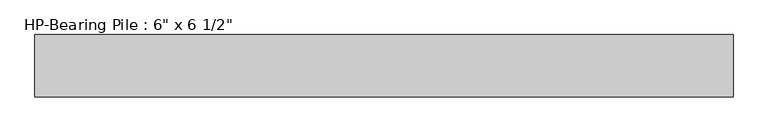
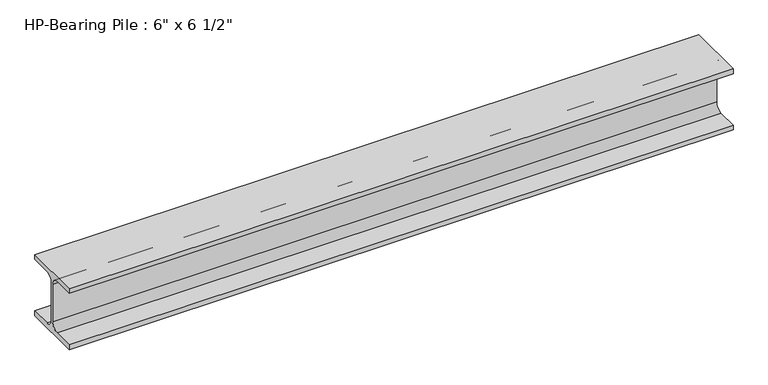
"""IFC4 building model written with IfcOpenShell, lengths in millimetres: beam geometry."""

from ifc_helpers import new_model, si_unit, point, frame, frame_2d, origin, place, context, project, spatial, polyline, circle_curve, trimmed, segment, composite_curve, outline, extrude, source, transform, mapped, element, save


def beam_992b92c2(model_context):
    return source(origin(), model_context, "Body", "SweptSolid", [
        extrude(outline(composite_curve([segment(polyline([(76.2, -69.85), (76.2, -82.55), (-76.2, -82.55), (-76.2, -69.85), (-22.225, -69.85)]), True, "CONTINUOUS"), segment(trimmed(circle_curve(frame_2d((-22.225, -50.8)), 19.05), [point((-22.225, -69.85))], [point((-3.175, -50.8))], True, "CARTESIAN"), True, "CONTINUOUS"), segment(polyline([(-3.175, -50.8), (-3.175, 50.8)]), True, "CONTINUOUS"), segment(trimmed(circle_curve(frame_2d((-22.225, 50.8)), 19.05), [point((-3.175, 50.8))], [point((-22.225, 69.85))], True, "CARTESIAN"), True, "CONTINUOUS"), segment(polyline([(-22.225, 69.85), (-76.2, 69.85), (-76.2, 82.55), (76.2, 82.55), (76.2, 69.85), (22.225, 69.85)]), True, "CONTINUOUS"), segment(trimmed(circle_curve(frame_2d((22.225, 50.8)), 19.05), [point((22.225, 69.85))], [point((3.175, 50.8))], True, "CARTESIAN"), True, "CONTINUOUS"), segment(polyline([(3.175, 50.8), (3.175, -50.8)]), True, "CONTINUOUS"), segment(trimmed(circle_curve(frame_2d((22.225, -50.8)), 19.05), [point((3.175, -50.8))], [point((22.225, -69.85))], True, "CARTESIAN"), True, "CONTINUOUS"), segment(polyline([(22.225, -69.85), (76.2, -69.85)]), True, "CONTINUOUS")], self_intersect=False)), frame((-852.2737425, 0.0, 0.0), z_axis=(1.0, 0.0, 0.0), x_axis=(0.0, 1.0, 0.0)), (0.0, 0.0, 1.0), 1704.547485),
    ])


if __name__ == "__main__":
    model = new_model("IFC4")
    model_context = context("Model", 3, world=origin())
    ifc_project = project(units=[si_unit("LENGTHUNIT", "METRE", prefix="MILLI")], contexts=[model_context])
    site = spatial("IfcSite", under=ifc_project)
    building = spatial("IfcBuilding", under=site)
    placement = place(None, origin())
    beam_shape = beam_992b92c2(model_context)
    element("IfcBeam", 1, ObjectType="HP-Bearing Pile : 6\" x 6 1/2\"", at=placement, inside=building, context=model_context, shape_type="MappedRepresentation", body=[
        mapped(beam_shape, transform((0.0, 0.0, 0.0), x_axis=(1.0, 0.0, 0.0), y_axis=(0.0, 1.0, 0.0), z_axis=(0.0, 0.0, 1.0))),
    ])
    save(model, "model.ifc")
